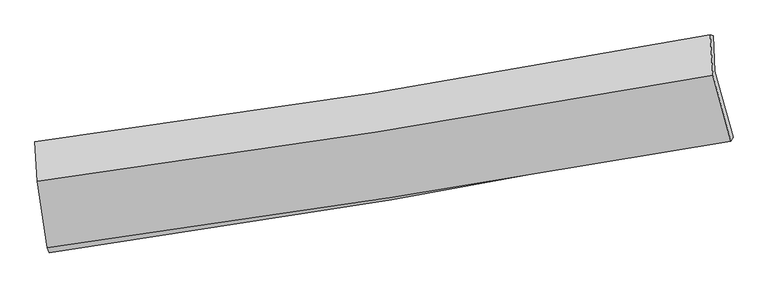
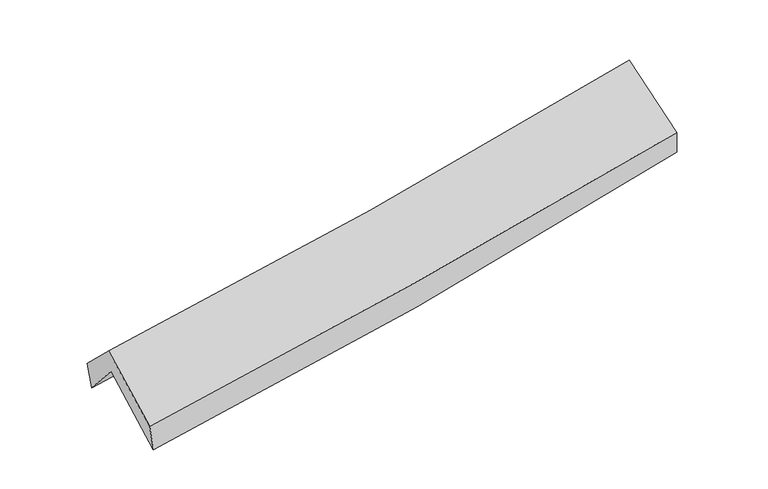
"""IFC4 building model written with IfcOpenShell, lengths in millimetres: proxy geometry."""

from ifc_helpers import new_model, si_unit, frame, origin, place, context, project, spatial, source, transform, mapped, element, save
from ifc_brep_helpers import plane_surface, spline_curve, spline_surface, advanced_brep


def generic_models_b1560766(model_context):
    return source(origin(), model_context, "Body", "AdvancedBrep", [
        advanced_brep(
        [(-2434.455501, -2484.0927757, 1460.3146338), (-2509.6458429, -1981.7678638, 1901.3506598), (2449.3686666, -1152.428316, 2349.4601052), (2582.4962122, -1638.730839, 1919.6235741), (-2524.0313923, -1717.5628956, 1595.8082873), (2435.3389494, -891.9409505, 2048.253948), (-2538.5009675, -1668.982783, 1792.2231273), (2414.6289935, -887.0891948, 2232.3679725), (-2520.2139862, -1959.8375474, 2076.2393118), (2434.6744442, -1182.4536712, 2535.5172191), (-2447.5003943, -2449.7388606, 1659.2942375), (2566.0705508, -1667.5881694, 2119.8108371)],
        [
            (0, 1),
            (1, 2, spline_curve(3, [(-2509.6458429, -1981.7678638, 1901.3506598), (-1679.554967869, -1868.044647496, 1952.00722062), (-852.381190062, -1742.293541291, 2014.543168712), (800.655752752, -1465.97940751, 2163.782235885), (1626.486811336, -1315.283997775, 2250.616103202), (2449.3686666, -1152.428316, 2349.4601052)], [4, 2, 4], [0.0, 8.309251787517816, 16.66410535596635])),
            (2, 3),
            (3, 0, spline_curve(3, [(2582.4962122, -1638.730839, 1919.6235741), (1751.171214009, -1801.838449966, 1820.957395692), (916.275575523, -1954.001996318, 1733.273790899), (-756.080534004, -2235.670166616, 1580.290372019), (-1593.502133051, -2365.29393271, 1514.870996535), (-2434.455501, -2484.0927757, 1460.3146338)], [4, 2, 4], [0.0, 8.354853568448533, 16.66410535596635])),
            (1, 4),
            (4, 5, spline_curve(3, [(-2524.0313923, -1717.5628956, 1595.8082873), (-1693.829499798, -1605.332212829, 1648.196295024), (-866.570570524, -1480.637522748, 1711.959711915), (786.585267575, -1205.567389695, 1862.649731453), (1612.449785584, -1055.054765172, 1949.701534628), (2435.3389494, -891.9409505, 2048.253948)], [4, 2, 4], [0.0, 8.260000889704969, 16.565333267814907])),
            (5, 2),
            (4, 6),
            (6, 7, spline_curve(3, [(-2538.5009675, -1668.982783, 1792.2231273), (-1711.11008542, -1563.666845441, 1852.272143095), (-885.777697029, -1446.06310195, 1918.857081241), (765.288279716, -1185.567148736, 2065.50009338), (1590.999211583, -1042.539696264, 2145.630103913), (2414.6289935, -887.0891948, 2232.3679725)], [4, 2, 4], [0.0, 8.248045317874485, 16.541356511102194])),
            (7, 5),
            (6, 8),
            (8, 9, spline_curve(3, [(-2520.2139862, -1959.8375474, 2076.2393118), (-1693.117202333, -1848.781623983, 2137.480678087), (-867.786527469, -1728.673789002, 2206.249130153), (783.862387583, -1469.645458072, 2359.258920933), (1610.161189282, -1330.625334246, 2443.583104686), (2434.6744442, -1182.4536712, 2535.5172191)], [4, 2, 4], [0.0, 8.238222652878397, 16.52165727360682])),
            (9, 7),
            (8, 10),
            (10, 11, spline_curve(3, [(-2447.5003943, -2449.7388606, 1659.2942375), (-1609.930530444, -2334.297915762, 1723.667462588), (-774.485503805, -2211.596506642, 1794.108789252), (896.728197893, -1950.959520102, 1947.54753508), (1732.473486049, -1812.944032186, 2030.611741752), (2566.0705508, -1667.5881694, 2119.8108371)], [4, 2, 4], [0.0, 8.288050337535903, 16.621586100895925])),
            (11, 9),
            (10, 0),
            (3, 11),
        ],
        [
            spline_surface(3, 3, [[(-2434.455501, -2484.0927757, 1460.3146338), (-1593.502133053, -2365.293932573, 1514.870996637), (-756.080533906, -2235.670166599, 1580.290372005), (916.275575425, -1954.001996335, 1733.273790912), (1751.171213982, -1801.838450077, 1820.95739564), (2582.4962122, -1638.730839, 1919.6235741)], [(-2459.518948284, -2316.651138402, 1607.326642455), (-1622.186411349, -2199.544170903, 1660.583071265), (-788.180752631, -2071.211291492, 1725.041304209), (877.735634535, -1791.327800054, 1876.776605963), (1709.609746435, -1639.653632665, 1964.176964793), (2538.120363661, -1476.629998003, 2062.902417786)], [(-2484.582395616, -2149.209501098, 1754.338651145), (-1650.870689695, -2033.794409225, 1806.29514593), (-820.280971348, -1906.752416401, 1869.792236371), (839.195693653, -1628.653603788, 2020.279420972), (1668.048278905, -1477.468815245, 2107.396533987), (2493.744515139, -1314.529156997, 2206.181261514)], [(-2509.6458429, -1981.7678638, 1901.3506598), (-1679.554967991, -1868.044647554, 1952.007220559), (-852.381190073, -1742.293541294, 2014.543168575), (800.655752763, -1465.979407507, 2163.782236023), (1626.486811359, -1315.283997833, 2250.61610314), (2449.3686666, -1152.428316, 2349.4601052)]], [4, 4], [4, 2, 4], [0.0, 2.1736763664570056], [0.0, 8.309251787517816, 16.66410535596635]),
            spline_surface(3, 3, [[(-2509.6458429, -1981.7678638, 1901.3506598), (-1679.554967991, -1868.044647554, 1952.007220559), (-852.381190073, -1742.293541294, 2014.543168575), (800.655752763, -1465.979407507, 2163.782236023), (1626.486811359, -1315.283997833, 2250.61610314), (2449.3686666, -1152.428316, 2349.4601052)], [(-2514.441026036, -1893.699541054, 1799.503202306), (-1684.313145282, -1780.473836009, 1850.736912056), (-857.110983603, -1655.074868406, 1913.682016356), (795.965591037, -1379.175401591, 2063.404734474), (1621.80780278, -1228.540920225, 2150.311247006), (2444.692094186, -1065.599194145, 2249.0580528)], [(-2519.236209164, -1805.631218346, 1697.655744794), (-1689.071322564, -1692.903024503, 1749.466603538), (-861.840777068, -1567.856195545, 1812.820864173), (791.275429376, -1292.371395703, 1963.027232962), (1617.128794243, -1141.79784268, 2050.006390873), (2440.015521814, -978.770072355, 2148.6560004)], [(-2524.0313923, -1717.5628956, 1595.8082873), (-1693.829499855, -1605.332212958, 1648.196295036), (-866.570570599, -1480.637522657, 1711.959711954), (786.585267649, -1205.567389787, 1862.649731413), (1612.449785664, -1055.054765072, 1949.70153474), (2435.3389494, -891.9409505, 2048.253948)]], [4, 4], [4, 2, 4], [0.0, 1.3100886379100993], [0.0, 8.260000889704969, 16.565333267814907]),
            spline_surface(3, 3, [[(-2524.0313923, -1717.5628956, 1595.8082873), (-1693.829499855, -1605.332212958, 1648.196295036), (-866.570570599, -1480.637522657, 1711.959711954), (786.585267649, -1205.567389787, 1862.649731413), (1612.449785664, -1055.054765072, 1949.70153474), (2435.3389494, -891.9409505, 2048.253948)], [(-2528.85458404, -1701.369524746, 1661.279900644), (-1699.589695039, -1591.443757129, 1716.221577778), (-872.972946056, -1469.112715756, 1780.925501693), (779.486271667, -1198.900642764, 1930.266518762), (1605.299594331, -1050.883075438, 2015.011057808), (2428.43563079, -890.3236986, 2109.625289494)], [(-2533.67777576, -1685.176153854, 1726.751513956), (-1705.349890203, -1577.555301262, 1784.246860487), (-879.375321536, -1457.587908862, 1849.891291428), (772.387275663, -1192.233895748, 1997.883306106), (1598.149402927, -1046.711385803, 2080.320580893), (2421.53231211, -888.7064467, 2170.996631006)], [(-2538.5009675, -1668.982783, 1792.2231273), (-1711.110085387, -1563.666845433, 1852.272143229), (-885.777696993, -1446.063101962, 1918.857081167), (765.28827968, -1185.567148724, 2065.500093455), (1590.999211595, -1042.539696169, 2145.630103962), (2414.6289935, -887.0891948, 2232.3679725)]], [4, 4], [4, 2, 4], [0.0, 0.6812900696092474], [0.0, 8.248045317874485, 16.541356511102194]),
            spline_surface(3, 3, [[(-2538.5009675, -1668.982783, 1792.2231273), (-1711.110085387, -1563.666845433, 1852.272143229), (-885.777696993, -1446.063101962, 1918.857081167), (765.28827968, -1185.567148724, 2065.500093455), (1590.999211595, -1042.539696169, 2145.630103962), (2414.6289935, -887.0891948, 2232.3679725)], [(-2532.405307078, -1765.934371131, 1886.895188801), (-1705.112457752, -1658.705104932, 1947.341654893), (-879.780640487, -1540.266664315, 2014.654430871), (771.479648983, -1280.259918483, 2163.419702613), (1597.386537514, -1138.568242185, 2244.947770871), (2421.310810381, -985.544020261, 2333.417721373)], [(-2526.309646622, -1862.885959269, 1981.567250299), (-1699.114830082, -1753.74336444, 2042.411166554), (-873.783583982, -1634.470226694, 2110.451780513), (777.671018287, -1374.952688268, 2261.33931171), (1603.77386349, -1234.596788217, 2344.265437761), (2427.992627319, -1083.998845739, 2434.467470227)], [(-2520.2139862, -1959.8375474, 2076.2393118), (-1693.117202447, -1848.781623939, 2137.480678219), (-867.786527476, -1728.673789047, 2206.249130217), (783.86238759, -1469.645458028, 2359.258920868), (1610.161189409, -1330.625334233, 2443.58310467), (2434.6744442, -1182.4536712, 2535.5172191)]], [4, 4], [4, 2, 4], [0.0, 1.3329457739378794], [0.0, 8.238222652878397, 16.52165727360682]),
            spline_surface(3, 3, [[(-2520.2139862, -1959.8375474, 2076.2393118), (-1693.117202447, -1848.781623939, 2137.480678219), (-867.786527476, -1728.673789047, 2206.249130217), (783.86238759, -1469.645458028, 2359.258920868), (1610.161189409, -1330.625334233, 2443.58310467), (2434.6744442, -1182.4536712, 2535.5172191)], [(-2495.976122223, -2123.137985109, 1937.257620345), (-1665.388311786, -2010.620387818, 1999.542939608), (-836.686186229, -1889.648028236, 2068.869016494), (821.484324337, -1630.083478742, 2222.021792284), (1650.931954984, -1491.398233543, 2305.925983685), (2478.473146418, -1344.165170628, 2396.948425102)], [(-2471.738258277, -2286.438422891, 1798.275928955), (-1637.659421155, -2172.459151771, 1861.605201063), (-805.585844986, -2050.622267405, 1931.488902855), (859.10626108, -1790.521499436, 2084.784663785), (1691.702720504, -1652.171132769, 2168.268862696), (2522.271848582, -1505.876669972, 2258.379631098)], [(-2447.5003943, -2449.7388606, 1659.2942375), (-1609.930530494, -2334.29791565, 1723.667462453), (-774.485503739, -2211.596506595, 1794.108789131), (896.728197827, -1950.95952015, 1947.547535202), (1732.47348608, -1812.944032079, 2030.611741711), (2566.0705508, -1667.5881694, 2119.8108371)]], [4, 4], [4, 2, 4], [0.0, 2.107804037282471], [0.0, 8.288050337535903, 16.621586100895925]),
            spline_surface(3, 3, [[(-2447.5003943, -2449.7388606, 1659.2942375), (-1609.930530494, -2334.29791565, 1723.667462453), (-774.485503739, -2211.596506595, 1794.108789131), (896.728197827, -1950.95952015, 1947.547535202), (1732.47348608, -1812.944032079, 2030.611741711), (2566.0705508, -1667.5881694, 2119.8108371)], [(-2443.152096539, -2461.190165659, 1592.96770295), (-1604.454398019, -2344.629921317, 1654.068640531), (-768.350513779, -2219.621059948, 1722.835983427), (903.243990375, -1951.973678897, 1876.122953776), (1738.706062044, -1809.242171407, 1960.7269597), (2571.545771263, -1657.969059262, 2053.081749445)], [(-2438.803798761, -2472.641470641, 1526.64116835), (-1598.978265528, -2354.961926907, 1584.46981856), (-762.215523866, -2227.645613245, 1651.56317771), (909.759782877, -1952.987837588, 1804.698372338), (1744.938638017, -1805.540310749, 1890.842177652), (2577.020991737, -1648.349949138, 1986.352661755)], [(-2434.455501, -2484.0927757, 1460.3146338), (-1593.502133053, -2365.293932573, 1514.870996637), (-756.080533906, -2235.670166599, 1580.290372005), (916.275575425, -1954.001996335, 1733.273790912), (1751.171213982, -1801.838450077, 1820.95739564), (2582.4962122, -1638.730839, 1919.6235741)]], [4, 4], [4, 2, 4], [0.0, 0.7063998470842203], [0.0, 8.347001942662057, 16.739812841864502]),
            plane_surface(frame((2480.4296361, -1236.7051902, 2200.8389427), z_axis=(0.9789466123753452, 0.1747306594756793, 0.10551173753677663), x_axis=(0.20145001818178782, -0.7437842413149852, -0.6373404840005452))),
            plane_surface(frame((-2495.7246807, -2043.6637877, 1747.5383763), z_axis=(-0.9930815077193954, -0.10783316223664982, -0.04648793550822457), x_axis=(-0.0644687736621664, 0.1697794480704292, 0.9833710979255984))),
        ],
        [
            (0, [[1, 2, 3, 4]]),
            (1, [[5, 6, 7, -2]]),
            (2, [[8, 9, 10, -6]]),
            (3, [[11, 12, 13, -9]]),
            (4, [[14, 15, 16, -12]]),
            (5, [[17, -4, 18, -15]]),
            (6, [[-16, -18, -3, -7, -10, -13]]),
            (7, [[-17, -14, -11, -8, -5, -1]]),
        ],
    ),
    ])


if __name__ == "__main__":
    model = new_model("IFC4")
    model_context = context("Model", 3, world=origin())
    ifc_project = project(units=[si_unit("LENGTHUNIT", "METRE", prefix="MILLI")], contexts=[model_context])
    site = spatial("IfcSite", under=ifc_project)
    building = spatial("IfcBuilding", under=site)
    placement = place(None, origin())
    generic_models_shape = generic_models_b1560766(model_context)
    element("IfcBuildingElementProxy", 1, Name="Generic Models", at=placement, inside=building, context=model_context, shape_type="MappedRepresentation", body=[
        mapped(generic_models_shape, transform((0.0, 0.0, 0.0), x_axis=(1.0, 0.0, 0.0), y_axis=(0.0, 1.0, 0.0), z_axis=(0.0, 0.0, 1.0))),
    ])
    save(model, "model.ifc")
